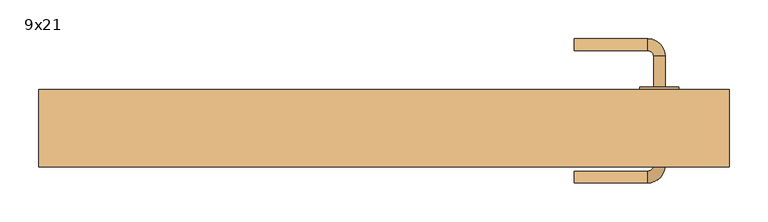
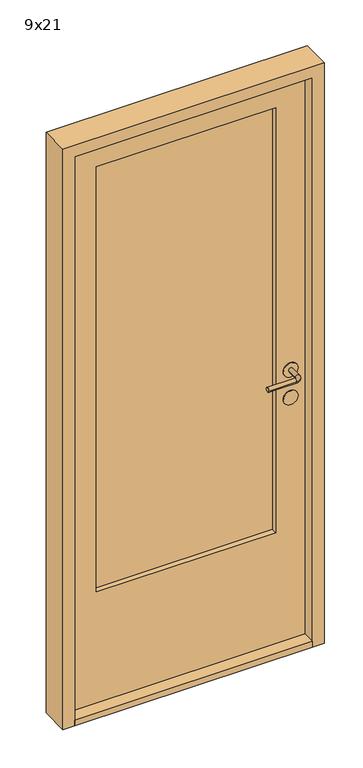
"""IFC4 building model written with IfcOpenShell, lengths in millimetres: door geometry, 9x21."""

from ifc_helpers import new_model, si_unit, point, frame, frame_2d, origin, place, context, project, spatial, polyline, circle_curve, ellipse_curve, trimmed, segment, composite_curve, outline, extrude, source, transform, mapped, element, save
from ifc_brep_helpers import plane_surface, cylinder_surface, revolved_surface, advanced_brep


def door_9x21_5dce1781(model_context):
    return source(origin(), model_context, "Body", "SolidModel", [
        extrude(outline(polyline([(-305.0, 61.1666667), (305.0, 61.1666667), (305.0, 42.8333333), (-305.0, 42.8333333), (-305.0, 61.1666667)])), frame((0.0, 0.0, 430.0), z_axis=(0.0, 0.0, 1.0), x_axis=(1.0, 0.0, 0.0)), (0.0, 0.0, 1.0), 1530.0),
        extrude(outline(polyline([(2060.0, -405.0), (30.0, -405.0), (30.0, 405.0), (2060.0, 405.0), (2060.0, -405.0)]), holes=[polyline([(1960.0, 305.0), (430.0, 305.0), (430.0, -305.0), (1960.0, -305.0), (1960.0, 305.0)])]), frame((0.0, 24.5, 0.0), z_axis=(0.0, 1.0, 0.0), x_axis=(0.0, 0.0, 1.0)), (0.0, 0.0, 1.0), 55.0),
        advanced_brep(
        [(347.5, 21.5, 1000.0), (362.5, 21.5, 1000.0), (347.5, -18.5, 1000.0), (362.5, -18.5, 1000.0), (340.0, -41.0, 1000.0), (340.0, -26.0, 1000.0), (245.0, -26.0, 1000.0), (245.0, -41.0, 1000.0)],
        [
            (0, 1, circle_curve(frame((355.0, 21.5, 1000.0), z_axis=(0.0, 1.0, 0.0), x_axis=(1.0, 0.0, 0.0)), 7.5)),
            (1, 0, circle_curve(frame((355.0, 21.5, 1000.0), z_axis=(0.0, 1.0, 0.0), x_axis=(1.0, 0.0, 0.0)), 7.5)),
            (0, 2),
            (2, 3, circle_curve(frame((355.0, -18.5, 1000.0), z_axis=(0.0, 1.0, 0.0), x_axis=(1.0, 0.0, 0.0)), 7.5)),
            (3, 1),
            (3, 2, circle_curve(frame((355.0, -18.5, 1000.0), z_axis=(0.0, 1.0, 0.0), x_axis=(1.0, 0.0, 0.0)), 7.5)),
            (4, 3, circle_curve(frame((340.0, -18.5, 1000.0), z_axis=(0.0, 0.0, 1.0), x_axis=(1.0, 0.0, 0.0)), 22.5)),
            (2, 5, circle_curve(frame((340.0, -18.5, 1000.0), z_axis=(0.0, 0.0, -1.0), x_axis=(1.0, 0.0, 0.0)), 7.5)),
            (5, 4, circle_curve(frame((340.0, -33.5, 1000.0), z_axis=(1.0, 0.0, 0.0), x_axis=(0.0, -1.0, 0.0)), 7.5)),
            (4, 5, circle_curve(frame((340.0, -33.5, 1000.0), z_axis=(1.0, 0.0, 0.0), x_axis=(0.0, -1.0, 0.0)), 7.5)),
            (6, 7, circle_curve(frame((245.0, -33.5, 1000.0), z_axis=(-1.0, 0.0, 0.0), x_axis=(0.0, -1.0, 0.0)), 7.5)),
            (7, 6, circle_curve(frame((245.0, -33.5, 1000.0), z_axis=(-1.0, 0.0, 0.0), x_axis=(0.0, -1.0, 0.0)), 7.5)),
            (5, 6),
            (7, 4),
        ],
        [
            plane_surface(frame((355.0, 21.5, 1000.0), z_axis=(0.0, 1.0, 0.0), x_axis=(0.0, 0.0, 1.0))),
            cylinder_surface(frame((355.0, 21.5, 1000.0), z_axis=(0.0, 1.0, 0.0), x_axis=(1.0, 0.0, 0.0)), 7.5),
            revolved_surface(trimmed(ellipse_curve(frame((355.0, -18.5, 1000.0), z_axis=(0.0, 1.0, 0.0), x_axis=(1.0, 0.0, 0.0)), 7.5, 7.5), [point((347.5, -18.5, 1000.0))], [point((362.5, -18.5, 1000.0))], True, "CARTESIAN"), (340.0, -18.5, 1000.0), (0.0, 0.0, -1.0)),
            revolved_surface(trimmed(ellipse_curve(frame((355.0, -18.5, 1000.0), z_axis=(0.0, 1.0, 0.0), x_axis=(1.0, 0.0, 0.0)), 7.5, 7.5), [point((362.5, -18.5, 1000.0))], [point((347.5, -18.5, 1000.0))], True, "CARTESIAN"), (340.0, -18.5, 1000.0), (0.0, 0.0, -1.0)),
            plane_surface(frame((245.0, -33.5, 1000.0), z_axis=(-1.0, 0.0, 0.0), x_axis=(0.0, 0.0, 1.0))),
            cylinder_surface(frame((340.0, -33.5, 1000.0), z_axis=(1.0, 0.0, 0.0), x_axis=(0.0, -1.0, 0.0)), 7.5),
        ],
        [
            (0, [[1, 2]]),
            (1, [[-1, 3, 4, 5]]),
            (1, [[-2, -5, 6, -3]]),
            (2, [[7, -4, 8, 9]]),
            (3, [[-8, -6, -7, 10]]),
            (4, [[11, 12]]),
            (5, [[-9, 13, -12, 14]]),
            (5, [[-10, -14, -11, -13]]),
        ],
    ),
        advanced_brep(
        [(362.5, 82.5, 1000.0), (347.5, 82.5, 1000.0), (362.5, 122.5, 1000.0), (347.5, 122.5, 1000.0), (340.0, 130.0, 1000.0), (340.0, 145.0, 1000.0), (245.0, 145.0, 1000.0), (245.0, 130.0, 1000.0)],
        [
            (0, 1, circle_curve(frame((355.0, 82.5, 1000.0), z_axis=(0.0, -1.0, 0.0), x_axis=(-1.0, 0.0, 0.0)), 7.5)),
            (1, 0, circle_curve(frame((355.0, 82.5, 1000.0), z_axis=(0.0, -1.0, 0.0), x_axis=(-1.0, 0.0, 0.0)), 7.5)),
            (0, 2),
            (2, 3, circle_curve(frame((355.0, 122.5, 1000.0), z_axis=(0.0, -1.0, 0.0), x_axis=(-1.0, 0.0, 0.0)), 7.5)),
            (3, 1),
            (3, 2, circle_curve(frame((355.0, 122.5, 1000.0), z_axis=(0.0, -1.0, 0.0), x_axis=(-1.0, 0.0, 0.0)), 7.5)),
            (4, 3, circle_curve(frame((340.0, 122.5, 1000.0), z_axis=(0.0, 0.0, -1.0), x_axis=(1.0, 0.0, 0.0)), 7.5)),
            (2, 5, circle_curve(frame((340.0, 122.5, 1000.0), z_axis=(0.0, 0.0, 1.0), x_axis=(1.0, 0.0, 0.0)), 22.5)),
            (5, 4, circle_curve(frame((340.0, 137.5, 1000.0), z_axis=(1.0, 0.0, 0.0), x_axis=(0.0, -1.0, 0.0)), 7.5)),
            (4, 5, circle_curve(frame((340.0, 137.5, 1000.0), z_axis=(1.0, 0.0, 0.0), x_axis=(0.0, -1.0, 0.0)), 7.5)),
            (6, 7, circle_curve(frame((245.0, 137.5, 1000.0), z_axis=(-1.0, 0.0, 0.0), x_axis=(0.0, -1.0, 0.0)), 7.5)),
            (7, 6, circle_curve(frame((245.0, 137.5, 1000.0), z_axis=(-1.0, 0.0, 0.0), x_axis=(0.0, -1.0, 0.0)), 7.5)),
            (5, 6),
            (7, 4),
        ],
        [
            plane_surface(frame((355.0, 82.5, 1000.0), z_axis=(0.0, -1.0, 0.0), x_axis=(0.0, 0.0, 1.0))),
            cylinder_surface(frame((355.0, 82.5, 1000.0), z_axis=(0.0, -1.0, 0.0), x_axis=(-1.0, 0.0, 0.0)), 7.5),
            revolved_surface(trimmed(ellipse_curve(frame((355.0, 122.5, 1000.0), z_axis=(0.0, -1.0, 0.0), x_axis=(-1.0, 0.0, 0.0)), 7.5, 7.5), [point((362.5, 122.5, 1000.0))], [point((347.5, 122.5, 1000.0))], True, "CARTESIAN"), (340.0, 122.5, 1000.0), (0.0, 0.0, 1.0)),
            revolved_surface(trimmed(ellipse_curve(frame((355.0, 122.5, 1000.0), z_axis=(0.0, -1.0, 0.0), x_axis=(-1.0, 0.0, 0.0)), 7.5, 7.5), [point((347.5, 122.5, 1000.0))], [point((362.5, 122.5, 1000.0))], True, "CARTESIAN"), (340.0, 122.5, 1000.0), (0.0, 0.0, 1.0)),
            plane_surface(frame((245.0, 137.5, 1000.0), z_axis=(-1.0, 0.0, 0.0), x_axis=(0.0, 0.0, 1.0))),
            cylinder_surface(frame((340.0, 137.5, 1000.0), z_axis=(1.0, 0.0, 0.0), x_axis=(0.0, -1.0, 0.0)), 7.5),
        ],
        [
            (0, [[1, 2]]),
            (1, [[-1, 3, 4, 5]]),
            (1, [[-2, -5, 6, -3]]),
            (2, [[7, -4, 8, 9]]),
            (3, [[-8, -6, -7, 10]]),
            (4, [[11, 12]]),
            (5, [[-9, 13, -12, 14]]),
            (5, [[-10, -14, -11, -13]]),
        ],
    ),
        extrude(outline(composite_curve([segment(trimmed(circle_curve(frame_2d((900.0, 354.970927)), 25.0), [point((900.0, 329.970927))], [point((900.0, 379.970927))], False, "CARTESIAN"), True, "CONTINUOUS"), segment(trimmed(circle_curve(frame_2d((900.0, 354.970927)), 25.0), [point((900.0, 379.970927))], [point((900.0, 329.970927))], False, "CARTESIAN"), True, "CONTINUOUS")], self_intersect=False)), frame((0.0, 21.5, 0.0), z_axis=(0.0, 1.0, 0.0), x_axis=(0.0, 0.0, 1.0)), (0.0, 0.0, 1.0), 3.0),
        extrude(outline(composite_curve([segment(trimmed(circle_curve(frame_2d((1000.0, 354.970927)), 25.0), [point((1000.0, 329.970927))], [point((1000.0, 379.970927))], False, "CARTESIAN"), True, "CONTINUOUS"), segment(trimmed(circle_curve(frame_2d((1000.0, 354.970927)), 25.0), [point((1000.0, 379.970927))], [point((1000.0, 329.970927))], False, "CARTESIAN"), True, "CONTINUOUS")], self_intersect=False)), frame((0.0, 21.5, 0.0), z_axis=(0.0, 1.0, 0.0), x_axis=(0.0, 0.0, 1.0)), (0.0, 0.0, 1.0), 3.0),
        extrude(outline(composite_curve([segment(trimmed(circle_curve(frame_2d((900.0, 354.970927)), 25.0), [point((900.0, 329.970927))], [point((900.0, 379.970927))], False, "CARTESIAN"), True, "CONTINUOUS"), segment(trimmed(circle_curve(frame_2d((900.0, 354.970927)), 25.0), [point((900.0, 379.970927))], [point((900.0, 329.970927))], False, "CARTESIAN"), True, "CONTINUOUS")], self_intersect=False)), frame((0.0, 79.5, 0.0), z_axis=(0.0, 1.0, 0.0), x_axis=(0.0, 0.0, 1.0)), (0.0, 0.0, 1.0), 3.0),
        extrude(outline(composite_curve([segment(trimmed(circle_curve(frame_2d((1000.0, 354.970927)), 25.0), [point((1000.0, 329.970927))], [point((1000.0, 379.970927))], False, "CARTESIAN"), True, "CONTINUOUS"), segment(trimmed(circle_curve(frame_2d((1000.0, 354.970927)), 25.0), [point((1000.0, 379.970927))], [point((1000.0, 329.970927))], False, "CARTESIAN"), True, "CONTINUOUS")], self_intersect=False)), frame((0.0, 79.5, 0.0), z_axis=(0.0, 1.0, 0.0), x_axis=(0.0, 0.0, 1.0)), (0.0, 0.0, 1.0), 3.0),
        extrude(outline(polyline([(-405.0, -20.5), (-405.0, 79.5), (405.0, 79.5), (405.0, -20.5), (-405.0, -20.5)])), frame((0.0, 0.0, 10.0), z_axis=(0.0, 0.0, 1.0), x_axis=(1.0, 0.0, 0.0)), (0.0, 0.0, 1.0), 20.0),
        extrude(outline(polyline([(10.0, 405.0), (10.0, 445.0), (2100.0, 445.0), (2100.0, -445.0), (10.0, -445.0), (10.0, -405.0), (2060.0, -405.0), (2060.0, 405.0), (10.0, 405.0)])), frame((0.0, -20.5, 0.0), z_axis=(0.0, 1.0, 0.0), x_axis=(0.0, 0.0, 1.0)), (0.0, 0.0, 1.0), 100.0),
    ])


if __name__ == "__main__":
    model = new_model("IFC4")
    model_context = context("Model", 3, world=origin())
    ifc_project = project(units=[si_unit("LENGTHUNIT", "METRE", prefix="MILLI")], contexts=[model_context])
    site = spatial("IfcSite", under=ifc_project)
    building = spatial("IfcBuilding", under=site)
    placement = place(None, origin())
    door_9x21_shape = door_9x21_5dce1781(model_context)
    element("IfcDoor", 1, ObjectType="9x21", at=placement, inside=building, context=model_context, shape_type="MappedRepresentation", body=[
        mapped(door_9x21_shape, transform((0.0, 0.0, 0.0), x_axis=(1.0, 0.0, 0.0), y_axis=(0.0, 1.0, 0.0), z_axis=(0.0, 0.0, 1.0))),
    ])
    save(model, "model.ifc")
